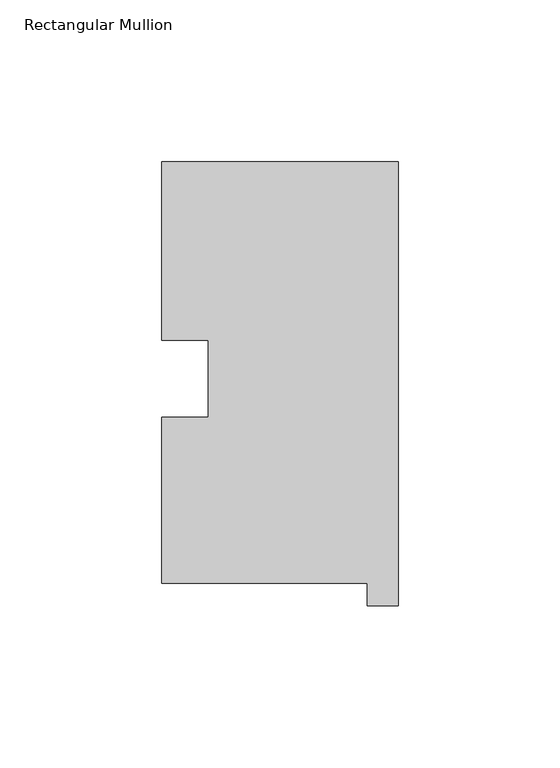
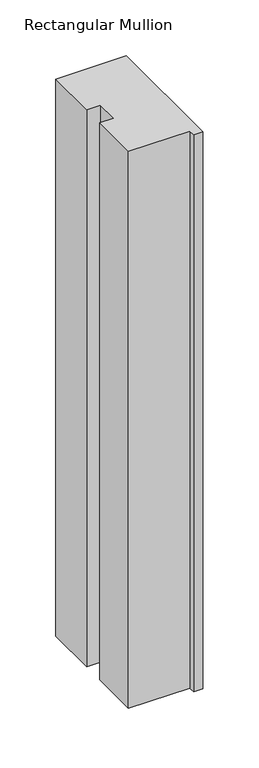
"""IFC4 building model written with IfcOpenShell, lengths in millimetres: member geometry, Rectangular Mullion."""

from ifc_helpers import new_model, si_unit, frame, origin, place, context, project, spatial, polyline, outline, extrude, source, transform, mapped, element, save


def rectangular_mullion_6431b5a5(model_context):
    return source(origin(), model_context, "Body", "SweptSolid", [
        extrude(outline(polyline([(-73.025, 130.56235), (0.0, 130.56235), (0.0, -6.64845), (-9.525, -6.64845), (-9.525, 0.26035), (-73.025, 0.26035), (-73.025, 51.60645), (-58.7351579, 51.60645), (-58.7351579, 75.40625), (-73.025, 75.40625), (-73.025, 130.56235)])), frame((0.0, 0.0, -609.6), z_axis=(0.0, 0.0, 1.0), x_axis=(1.0, 0.0, 0.0)), (0.0, 0.0, 1.0), 609.6),
    ])


if __name__ == "__main__":
    model = new_model("IFC4")
    model_context = context("Model", 3, world=origin())
    ifc_project = project(units=[si_unit("LENGTHUNIT", "METRE", prefix="MILLI")], contexts=[model_context])
    site = spatial("IfcSite", under=ifc_project)
    building = spatial("IfcBuilding", under=site)
    placement = place(None, origin())
    rectangular_mullion_shape = rectangular_mullion_6431b5a5(model_context)
    element("IfcMember", 1, ObjectType="Rectangular Mullion", at=placement, inside=building, context=model_context, shape_type="MappedRepresentation", body=[
        mapped(rectangular_mullion_shape, transform((0.0, 0.0, 0.0), x_axis=(1.0, 0.0, 0.0), y_axis=(0.0, 1.0, 0.0), z_axis=(0.0, 0.0, 1.0))),
    ])
    save(model, "model.ifc")
